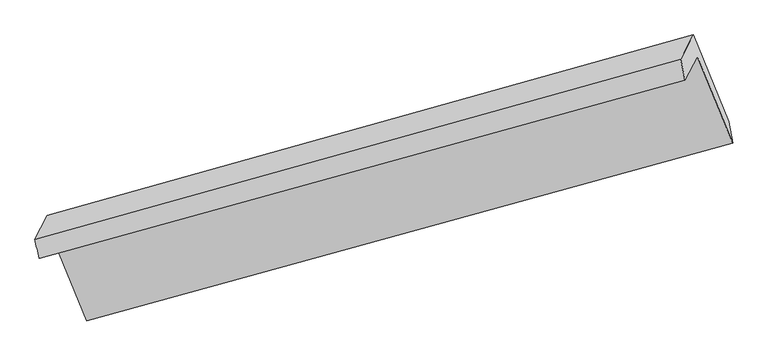
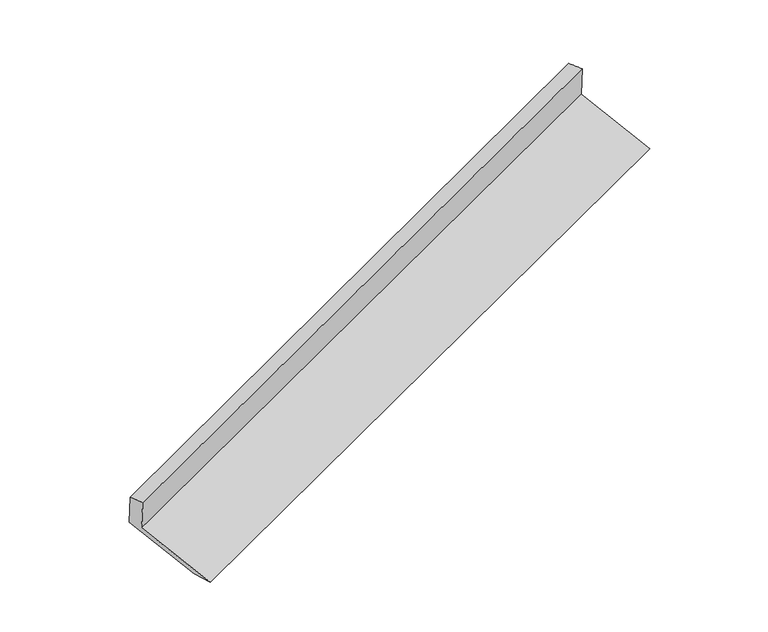
"""IFC4 building model written with IfcOpenShell, lengths in millimetres: proxy geometry."""

from ifc_helpers import new_model, si_unit, frame, origin, place, context, project, spatial, source, transform, mapped, element, save
from ifc_brep_helpers import plane_surface, spline_surface, advanced_brep


def generic_models_14402d26(model_context):
    return source(origin(), model_context, "Body", "AdvancedBrep", [
        advanced_brep(
        [(-5196.854804, -2098.7319676, 1449.5096232), (-5112.4819754, -1936.1704728, 1094.7804594), (-683.9587006, -715.4939938, 2690.6281191), (-768.3315292, -878.0554886, 3045.3572829), (-5225.6968435, -1968.6083242, 1429.8775041), (-797.5887951, -733.0437751, 3015.5677549), (-5141.6553026, -1806.6851227, 1076.5411748), (-711.4338201, -567.048611, 2653.3459028), (-4912.9595929, -2366.731364, 874.2847562), (-468.3966004, -1162.2153573, 2438.4059823), (-4870.6982366, -2528.2676061, 880.9491061), (-442.1749618, -1307.5911271, 2476.7967659)],
        [
            (0, 1),
            (1, 2),
            (2, 3),
            (3, 0),
            (4, 0),
            (3, 5),
            (5, 4),
            (6, 4),
            (5, 7),
            (7, 6),
            (8, 6),
            (7, 9),
            (9, 8),
            (10, 8),
            (9, 11),
            (11, 10),
            (1, 10),
            (11, 2),
        ],
        [
            plane_surface(frame((-5154.6683897, -2017.4512202, 1272.1450413), z_axis=(0.35666719191397617, -0.8785280765792658, -0.31776867824588184), x_axis=(0.21134340686189573, 0.4071962588111312, -0.8885522895059275))),
            spline_surface(1, 1, [[(-5225.6968435, -1968.6083242, 1429.8775041), (-797.5887951, -733.0437751, 3015.5677549)], [(-5196.854804, -2098.7319676, 1449.5096232), (-768.3315292, -878.0554886, 3045.3572829)]], [2, 2], [2, 2], [0.0, 1.0], [0.0, 1.0]),
            plane_surface(frame((-5183.676073, -1887.6467235, 1253.2093395), z_axis=(-0.35853775170200564, 0.878012624155732, 0.3170875469450617), x_axis=(-0.2113434068618951, -0.40719625881113225, 0.8885522895059271))),
            plane_surface(frame((-5027.3074477, -2086.7082434, 975.4129655), z_axis=(0.20385728794636482, 0.4051133147798768, -0.8912493525042325), x_axis=(-0.3585377517020106, 0.878012624155728, 0.31708754694506663))),
            spline_surface(1, 1, [[(-4870.6982366, -2528.2676061, 880.9491061), (-442.1749618, -1307.5911271, 2476.7967659)], [(-4912.9595929, -2366.731364, 874.2847562), (-468.3966004, -1162.2153573, 2438.4059823)]], [2, 2], [2, 2], [0.0, 1.0], [0.0, 1.0]),
            plane_surface(frame((-4991.590106, -2232.2190395, 987.8647828), z_axis=(-0.20853770628407764, -0.40641836052940716, 0.8895707623805791), x_axis=(0.35853775170201657, -0.8780126241557279, -0.31708754694506014))),
            plane_surface(frame((-645.3140679, -893.9080588, 2720.016968), z_axis=(0.9092769902403096, 0.2515651777042776, 0.33155741039243763), x_axis=(-0.3585377517020106, 0.878012624155728, 0.31708754694506663))),
            plane_surface(frame((-5076.7244592, -2117.5324762, 1134.3237706), z_axis=(-0.9092769902403015, -0.25156517770429704, -0.3315574103924451), x_axis=(-0.2113434068618956, -0.4071962588111322, 0.888552289505927))),
        ],
        [
            (0, [[1, 2, 3, 4]]),
            (1, [[5, -4, 6, 7]]),
            (2, [[8, -7, 9, 10]]),
            (3, [[11, -10, 12, 13]]),
            (4, [[14, -13, 15, 16]]),
            (5, [[17, -16, 18, -2]]),
            (6, [[-12, -9, -6, -3, -18, -15]]),
            (7, [[-1, -5, -8, -11, -14, -17]]),
        ],
    ),
    ])


if __name__ == "__main__":
    model = new_model("IFC4")
    model_context = context("Model", 3, world=origin())
    ifc_project = project(units=[si_unit("LENGTHUNIT", "METRE", prefix="MILLI")], contexts=[model_context])
    site = spatial("IfcSite", under=ifc_project)
    building = spatial("IfcBuilding", under=site)
    placement = place(None, origin())
    generic_models_shape = generic_models_14402d26(model_context)
    element("IfcBuildingElementProxy", 1, Name="Generic Models", at=placement, inside=building, context=model_context, shape_type="MappedRepresentation", body=[
        mapped(generic_models_shape, transform((0.0, 0.0, 0.0), x_axis=(1.0, 0.0, 0.0), y_axis=(0.0, 1.0, 0.0), z_axis=(0.0, 0.0, 1.0))),
    ])
    save(model, "model.ifc")
